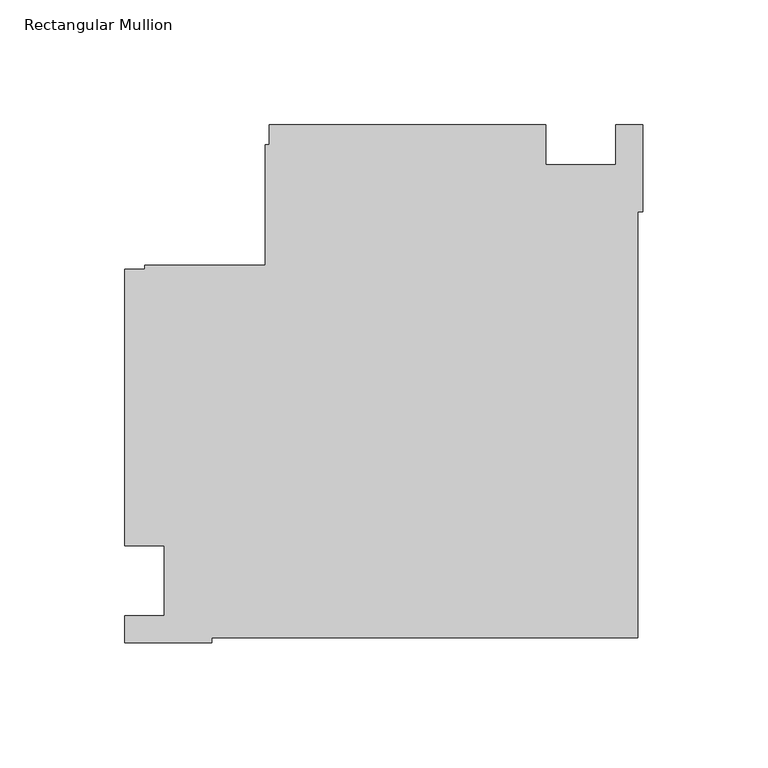
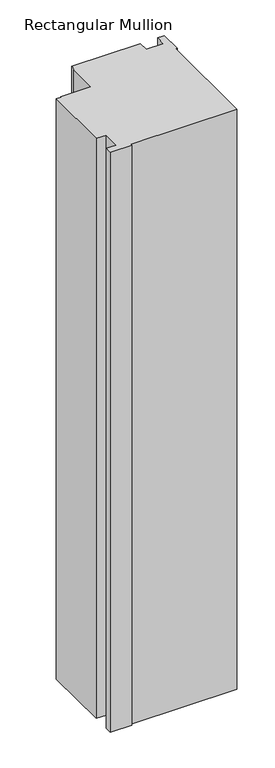
"""IFC4 building model written with IfcOpenShell, lengths in millimetres: member geometry, Rectangular Mullion."""

from ifc_helpers import new_model, si_unit, frame, origin, place, context, project, spatial, polyline, outline, extrude, source, transform, mapped, element, save


def rectangular_mullion_f9bf7fb4(model_context):
    return source(origin(), model_context, "Body", "SweptSolid", [
        extrude(outline(polyline([(-38.9998882, 182.9914777), (-38.9998882, 166.9914777), (-10.996264, 166.9914777), (-10.996264, 183.0000001), (0.0, 183.0000001), (0.0, 147.9999738), (-2.0852141, 147.9999738), (-2.0852141, -22.9147834), (-172.9999713, -22.9147834), (-172.9999713, -25.0), (-207.9999976, -25.0), (-207.9999976, -13.9997041), (-191.9999976, -13.9997041), (-191.9999976, 13.9998907), (-207.9999976, 13.9998907), (-207.9999976, 125.0000025), (-200.0, 125.0000025), (-200.0, 126.6000025), (-151.6, 126.6000025), (-151.6, 175.0000025), (-150.0, 175.0000025), (-150.0, 182.9914777), (-38.9998882, 182.9914777)])), frame((0.0, 0.0, -990.6595328), z_axis=(0.0, 0.0, 1.0), x_axis=(1.0, 0.0, 0.0)), (0.0, 0.0, 1.0), 990.6595328),
    ])


if __name__ == "__main__":
    model = new_model("IFC4")
    model_context = context("Model", 3, world=origin())
    ifc_project = project(units=[si_unit("LENGTHUNIT", "METRE", prefix="MILLI")], contexts=[model_context])
    site = spatial("IfcSite", under=ifc_project)
    building = spatial("IfcBuilding", under=site)
    placement = place(None, origin())
    rectangular_mullion_shape = rectangular_mullion_f9bf7fb4(model_context)
    element("IfcMember", 1, ObjectType="Rectangular Mullion", at=placement, inside=building, context=model_context, shape_type="MappedRepresentation", body=[
        mapped(rectangular_mullion_shape, transform((0.0, 0.0, 0.0), x_axis=(1.0, 0.0, 0.0), y_axis=(0.0, 1.0, 0.0), z_axis=(0.0, 0.0, 1.0))),
    ])
    save(model, "model.ifc")
